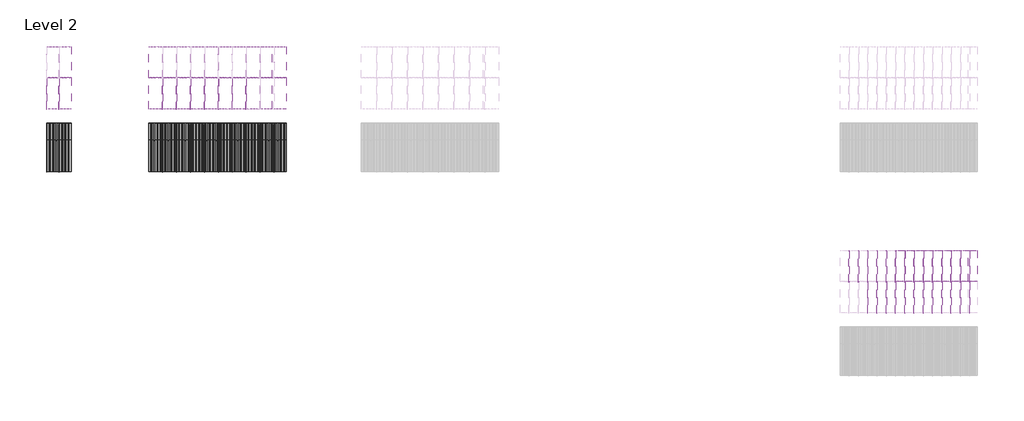
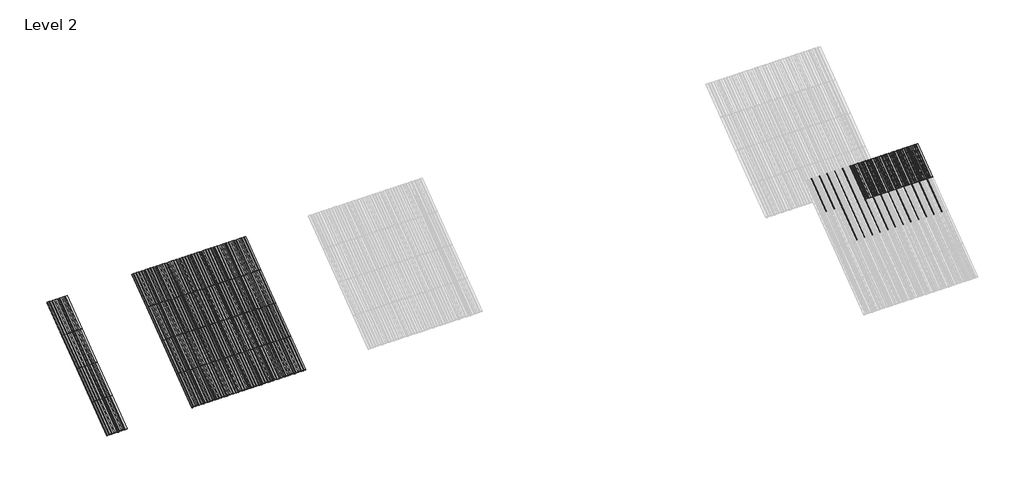
# One storey, part 12 of 177: 57 members, 57 plates.
"""IFC4 building model written with IfcOpenShell, lengths in millimetres."""

import ifcopenshell
import ifcopenshell.guid

model = None  # the IFC model being written
_history = None  # IfcOwnerHistory: only IFC2X3 demands one
_inside = {}  # id of a spatial element -> (the spatial element, [elements in it])
_under = {}  # id of a project, library or spatial element -> (it, [spatial elements below it])
_declared = {}  # id of a project -> (the project, [libraries it declares])
_typed = {}  # id of a type object -> (the type object, [elements of that type])
_made_of = {}  # id of a material, layer set ... -> (it, [elements and type objects made of it])


def new_model(schema):
    """Start an empty IFC model of exactly this schema.

    Asked for "IFC4X3", IfcOpenShell would pick the latest addendum, in which some entities
    have other attributes; the version numbers below select the first issue.
    IFC2X3 requires an IfcOwnerHistory on every rooted entity: one is made here for all.
    """
    global model, _history
    if schema == "IFC4X3":
        model = ifcopenshell.file(schema_version=(4, 3, 0, 0))
    else:
        model = ifcopenshell.file(schema=schema)
    _inside.clear()
    _under.clear()
    _declared.clear()
    _typed.clear()
    _made_of.clear()
    _history = None
    if model.schema == "IFC2X3":
        org = make("IfcOrganization", Name="unknown")
        user = make(
            "IfcPersonAndOrganization",
            ThePerson=make("IfcPerson", FamilyName="unknown"),
            TheOrganization=org,
        )
        app = make(
            "IfcApplication",
            ApplicationDeveloper=org,
            Version="unknown",
            ApplicationFullName="unknown",
            ApplicationIdentifier="unknown",
        )
        _history = make(
            "IfcOwnerHistory",
            OwningUser=user,
            OwningApplication=app,
            ChangeAction="ADDED",
            CreationDate=0,
        )
    return model


def make(cls, **values):
    """One entity of the class cls with the attributes given. An attribute that is None is left unset."""
    return model.create_entity(
        cls, **{name: value for name, value in values.items() if value is not None}
    )


def rooted(cls, **values):
    """An entity with a GlobalId (a new one), such as an element, a storey or a relation."""
    return make(cls, GlobalId=ifcopenshell.guid.new(), OwnerHistory=_history, **values)


def si_unit(unit_type, name, prefix=None):
    """IfcSIUnit, for example si_unit("LENGTHUNIT", "METRE", prefix="MILLI")."""
    return make("IfcSIUnit", UnitType=unit_type, Prefix=prefix, Name=name)


def assignment(units):
    """IfcUnitAssignment: the units of a project."""
    return None if units is None else make("IfcUnitAssignment", Units=units)


def point(xyz):
    """IfcCartesianPoint."""
    return None if xyz is None else make("IfcCartesianPoint", Coordinates=xyz)


def direction(xyz):
    """IfcDirection."""
    return None if xyz is None else make("IfcDirection", DirectionRatios=xyz)


def frame(location, z_axis=None, x_axis=None):
    """IfcAxis2Placement3D, a coordinate frame: its origin and axes. An axis left out is left unset."""
    return make(
        "IfcAxis2Placement3D",
        Location=point(location),
        Axis=direction(z_axis),
        RefDirection=direction(x_axis),
    )


def frame_2d(location, x_axis=None):
    """IfcAxis2Placement2D, a coordinate frame in the plane: its origin and x axis."""
    return make(
        "IfcAxis2Placement2D", Location=point(location), RefDirection=direction(x_axis)
    )


def origin():
    """The frame at (0, 0, 0) with its axes left unset."""
    return frame((0.0, 0.0, 0.0))


def origin_with_axes():
    """The frame at (0, 0, 0) with the z axis (0, 0, 1) and the x axis (1, 0, 0) written out."""
    return frame((0.0, 0.0, 0.0), z_axis=(0.0, 0.0, 1.0), x_axis=(1.0, 0.0, 0.0))


def place(relative_to, where):
    """IfcLocalPlacement: puts the frame where relative to a parent placement (None: the world)."""
    return make(
        "IfcLocalPlacement", PlacementRelTo=relative_to, RelativePlacement=where
    )


def context(
    kind, dimensions, precision=None, world=None, true_north=None, identifier=None
):
    """IfcGeometricRepresentationContext, for example the 3D "Model" context."""
    return make(
        "IfcGeometricRepresentationContext",
        ContextIdentifier=identifier,
        ContextType=kind,
        CoordinateSpaceDimension=dimensions,
        Precision=precision,
        WorldCoordinateSystem=world,
        TrueNorth=true_north,
    )


def project(units=None, contexts=None):
    """IfcProject with its units and contexts."""
    return rooted(
        "IfcProject",
        Name="project",
        RepresentationContexts=contexts,
        UnitsInContext=assignment(units),
    )


def spatial(cls, under=None, at=None, **own):
    """A site, building, storey or space (cls), placed at a placement, below another one or the project."""
    s = rooted(cls, ObjectPlacement=at, **own)
    if under is not None:
        _under.setdefault(under.id(), (under, []))[1].append(s)
    return s


def polyline(points):
    """IfcPolyline through the points."""
    return make("IfcPolyline", Points=[point(p) for p in points])


def circle_curve(where, radius):
    """IfcCircle in the frame where."""
    return make("IfcCircle", Position=where, Radius=radius)


def trimmed(basis, trim1, trim2, sense, master):
    """IfcTrimmedCurve: the piece of a basis curve between two trims."""
    return make(
        "IfcTrimmedCurve",
        BasisCurve=basis,
        Trim1=trim1,
        Trim2=trim2,
        SenseAgreement=sense,
        MasterRepresentation=master,
    )


def segment(curve, same_sense, transition):
    """IfcCompositeCurveSegment."""
    return make(
        "IfcCompositeCurveSegment",
        Transition=transition,
        SameSense=same_sense,
        ParentCurve=curve,
    )


def composite_curve(segments, self_intersect=None):
    """IfcCompositeCurve: segments joined end to end."""
    return make("IfcCompositeCurve", Segments=segments, SelfIntersect=self_intersect)


def outline(outer, holes=None, kind="AREA"):
    """IfcArbitraryClosedProfileDef: a profile drawn as a closed curve; with holes, ...WithVoids."""
    if holes is None:
        return make("IfcArbitraryClosedProfileDef", ProfileType=kind, OuterCurve=outer)
    return make(
        "IfcArbitraryProfileDefWithVoids",
        ProfileType=kind,
        OuterCurve=outer,
        InnerCurves=holes,
    )


def extrude(swept, where, along, depth):
    """IfcExtrudedAreaSolid: the profile swept, set in the frame where, extruded along a direction by depth."""
    return make(
        "IfcExtrudedAreaSolid",
        SweptArea=swept,
        Position=where,
        ExtrudedDirection=direction(along),
        Depth=depth,
    )


def shape(context_of_items, identifier, shape_type, items):
    """IfcShapeRepresentation: the items that make up one representation, for example the "Body"."""
    return make(
        "IfcShapeRepresentation",
        ContextOfItems=context_of_items,
        RepresentationIdentifier=identifier,
        RepresentationType=shape_type,
        Items=items,
    )


def source(mapping_origin, context_of_items, identifier, shape_type, items):
    """IfcRepresentationMap: a shape defined once, which mapped items show again and again."""
    return make(
        "IfcRepresentationMap",
        MappingOrigin=mapping_origin,
        MappedRepresentation=shape(context_of_items, identifier, shape_type, items),
    )


def transform(
    local_origin,
    x_axis=None,
    y_axis=None,
    z_axis=None,
    scale=None,
    scale2=None,
    scale3=None,
    uniform=True,
):
    """IfcCartesianTransformationOperator3D, or its non-uniform kind. x_axis, y_axis, z_axis: its Axis1, 2, 3."""
    if uniform:
        return make(
            "IfcCartesianTransformationOperator3D",
            Axis1=direction(x_axis),
            Axis2=direction(y_axis),
            LocalOrigin=point(local_origin),
            Scale=scale,
            Axis3=direction(z_axis),
        )
    return make(
        "IfcCartesianTransformationOperator3DnonUniform",
        Axis1=direction(x_axis),
        Axis2=direction(y_axis),
        LocalOrigin=point(local_origin),
        Scale=scale,
        Axis3=direction(z_axis),
        Scale2=scale2,
        Scale3=scale3,
    )


def mapped(mapping_source, mapping_target):
    """IfcMappedItem: shows the shape of a source again, moved by a transform."""
    return make(
        "IfcMappedItem", MappingSource=mapping_source, MappingTarget=mapping_target
    )


def made_of(thing, what):
    """Note that an element or type object is made of a material, layer set ...; save() writes the relation."""
    if what is not None:
        _made_of.setdefault(what.id(), (what, []))[1].append(thing)
    return thing


def element(
    cls,
    number,
    at=None,
    inside=None,
    cuts=None,
    type_object=None,
    material=None,
    context=None,
    identifier="Body",
    shape_type=None,
    held_by="IfcProductDefinitionShape",
    body=None,
    shapes=None,
    **own,
):
    """One element of the class cls, such as IfcWall. Its Tag is "e" and its number.

    at: its placement. inside: the storey or other place that contains it. cuts: it is an
    opening in that element (IfcRelVoidsElement). A single representation is given by context,
    identifier, shape_type and body (its items); several are given by shapes. held_by: the class
    of the entity that holds the representations. save() writes the other relations.
    """
    e = rooted(cls, Tag="e%d" % number, ObjectPlacement=at, **own)
    if body is not None:
        shapes = [shape(context, identifier, shape_type, body)]
    if shapes is not None:
        e.Representation = make(held_by, Representations=shapes)
    if inside is not None:
        _inside.setdefault(inside.id(), (inside, []))[1].append(e)
    if cuts is not None:
        rooted(
            "IfcRelVoidsElement", RelatingBuildingElement=cuts, RelatedOpeningElement=e
        )
    if type_object is not None:
        _typed.setdefault(type_object.id(), (type_object, []))[1].append(e)
    return made_of(e, material)


def aggregate(whole, parts):
    """IfcRelAggregates: a whole, such as a stair, and the parts it consists of."""
    return rooted("IfcRelAggregates", RelatingObject=whole, RelatedObjects=parts)


def save(model, path):
    """Write the relations noted so far, then the file.

    IfcRelAggregates (storeys below a building ...), IfcRelContainedInSpatialStructure (elements
    in a storey), IfcRelDefinesByType, IfcRelAssociatesMaterial and IfcRelDeclares: one each for
    every whole, place, type object, material and project.
    """
    for whole, parts in _under.values():
        aggregate(whole, parts)
    for where, things in _inside.values():
        rooted(
            "IfcRelContainedInSpatialStructure",
            RelatedElements=things,
            RelatingStructure=where,
        )
    for kind, things in _typed.values():
        rooted("IfcRelDefinesByType", RelatedObjects=things, RelatingType=kind)
    for what, things in _made_of.values():
        rooted("IfcRelAssociatesMaterial", RelatedObjects=things, RelatingMaterial=what)
    for by, libraries in _declared.values():
        rooted("IfcRelDeclares", RelatingContext=by, RelatedDefinitions=libraries)
    model.write(path)


def rectangular_mullion_59d29c64(model_context):
    return source(origin(), model_context, "Body", "SweptSolid", [
        extrude(outline(composite_curve([segment(polyline([(-1.651, -33.918525), (-1.651, 0.396875), (1.778, 0.396875), (1.778, -36.458525)]), True, "CONTINUOUS"), segment(trimmed(circle_curve(frame_2d((-0.762, -36.458525)), 2.54), [point((1.778, -36.458525))], [point((-0.762, -38.998525))], False, "CARTESIAN"), True, "CONTINUOUS"), segment(polyline([(-0.762, -38.998525), (-10.16, -38.998525)]), True, "CONTINUOUS"), segment(trimmed(circle_curve(frame_2d((-10.16, -36.458525)), 2.54), [point((-10.16, -38.998525))], [point((-10.16, -33.918525))], False, "CARTESIAN"), True, "CONTINUOUS"), segment(polyline([(-10.16, -33.918525), (-1.651, -33.918525)]), True, "CONTINUOUS")], self_intersect=False)), frame((0.0, 0.0, -1285.875), z_axis=(0.0, 0.0, 1.0), x_axis=(1.0, 0.0, 0.0)), (0.0, 0.0, 1.0), 1285.875),
    ])


def rectangular_mullion_1bcf8777(model_context):
    return source(origin(), model_context, "Body", "SweptSolid", [
        extrude(outline(composite_curve([segment(polyline([(-1.651, -33.7200875), (-1.651, 0.5953125), (1.778, 0.5953125), (1.778, -36.2600875)]), True, "CONTINUOUS"), segment(trimmed(circle_curve(frame_2d((-0.762, -36.2600875)), 2.54), [point((1.778, -36.2600875))], [point((-0.762, -38.8000875))], False, "CARTESIAN"), True, "CONTINUOUS"), segment(polyline([(-0.762, -38.8000875), (-10.16, -38.8000875)]), True, "CONTINUOUS"), segment(trimmed(circle_curve(frame_2d((-10.16, -36.2600875)), 2.54), [point((-10.16, -38.8000875))], [point((-10.16, -33.7200875))], False, "CARTESIAN"), True, "CONTINUOUS"), segment(polyline([(-10.16, -33.7200875), (-1.651, -33.7200875)]), True, "CONTINUOUS")], self_intersect=False)), frame((0.0, 0.0, -1285.875), z_axis=(0.0, 0.0, 1.0), x_axis=(1.0, 0.0, 0.0)), (0.0, 0.0, 1.0), 1285.875),
    ])


def plate_0_032_aluminium_91d3225e(model_context):
    return source(origin(), model_context, "Body", "SweptSolid", [
        extrude(outline(polyline([(-123.9800294, 0.8128), (-120.4316494, -2.73558), (-90.8914494, -2.73558), (-87.3430694, 0.8128), (-18.31848, 0.8128), (-14.7701, -2.73558), (14.7701, -2.73558), (18.31848, 0.8128), (85.75548, 0.8128), (89.30386, -2.73558), (118.84406, -2.73558), (122.39244, 0.8128), (203.2, 0.8128), (203.2, 0.0), (122.456147, 0.0), (118.907767, -3.54838), (89.240153, -3.54838), (85.691773, 0.0), (18.382187, 0.0), (14.833807, -3.54838), (-14.833807, -3.54838), (-18.382187, 0.0), (-87.2793624, 0.0), (-90.8277424, -3.54838), (-120.4953564, -3.54838), (-124.0437364, 0.0), (-203.2, 0.0), (-203.2, 0.8128), (-123.9800294, 0.8128)])), origin_with_axes(), (0.0, 0.0, 1.0), 1285.875),
    ])


def plate_0_032_aluminium_9b7b38d6(model_context):
    return source(origin(), model_context, "Body", "SweptSolid", [
        extrude(outline(polyline([(33.654793, 0.0), (-33.654793, 0.0), (-37.203173, -3.54838), (-66.870787, -3.54838), (-70.419167, 0.0), (-137.728753, 0.0), (-141.277133, -3.54838), (-170.944747, -3.54838), (-174.493127, 0.0), (-228.6, 0.0), (-228.6, 0.8128), (-174.42942, 0.8128), (-170.88104, -2.73558), (-141.34084, -2.73558), (-137.79246, 0.8128), (-70.35546, 0.8128), (-66.80708, -2.73558), (-37.26688, -2.73558), (-33.7185, 0.8128), (33.7185, 0.8128), (37.26688, -2.73558), (66.80708, -2.73558), (70.35546, 0.8128), (137.79246, 0.8128), (141.34084, -2.73558), (170.88104, -2.73558), (174.42942, 0.8128), (228.6, 0.8128), (228.6, 0.0), (174.493127, 0.0), (170.944747, -3.54838), (141.277133, -3.54838), (137.728753, 0.0), (70.419167, 0.0), (66.870787, -3.54838), (37.203173, -3.54838), (33.654793, 0.0)])), origin_with_axes(), (0.0, 0.0, 1.0), 1285.875),
    ])


def plate_0_04_aluminium_bb3a9a47(model_context):
    return source(origin(), model_context, "Body", "SweptSolid", [
        extrude(outline(polyline([(-89.30386, 1.016), (-66.80708, -2.53238), (-37.26688, -2.53238), (-14.7701, 0.8128), (14.7701, 0.8128), (37.26688, -2.73558), (66.80708, -2.73558), (89.30386, 0.8128), (152.4, 0.8128), (152.4, 0.0), (89.367567, 0.0), (66.870787, -3.54838), (37.203173, -3.54838), (14.706393, 0.0), (-14.706393, 0.0), (-37.203173, -3.54838), (-66.870787, -3.54838), (-89.367567, 0.0), (-152.4, 0.0), (-152.4, 1.016), (-89.30386, 1.016)])), origin_with_axes(), (0.0, 0.0, 1.0), 1285.875),
    ])


model = new_model("IFC4")

# Units and contexts
model_context = context("Model", 3, world=origin())
ifc_project = project(units=[si_unit("LENGTHUNIT", "METRE", prefix="MILLI")], contexts=[model_context])

# Site, building, storey
site = spatial("IfcSite", under=ifc_project)
building = spatial("IfcBuilding", under=site)
storey = spatial("IfcBuildingStorey", under=building, Name="Level 2", Elevation=3048.0)

# Members
placement = place(None, origin())
rectangular_mullion_shape = rectangular_mullion_59d29c64(model_context)
element("IfcMember", 1, ObjectType="Rectangular Mullion", at=placement, inside=storey, context=model_context, shape_type="MappedRepresentation", body=[
    mapped(rectangular_mullion_shape, transform((32099.5938416, 49285.1318114, 3819.525), x_axis=(1.0, 0.0, 0.0), y_axis=(0.0, 0.5999999999999939, -0.8000000000000047), z_axis=(0.0, 0.8000000000000047, 0.5999999999999939))),
])
element("IfcMember", 2, ObjectType="Rectangular Mullion", at=placement, inside=storey, context=model_context, shape_type="MappedRepresentation", body=[
    mapped(rectangular_mullion_shape, transform((35909.5938416, 49285.1318114, 3819.525), x_axis=(1.0, 0.0, 0.0), y_axis=(0.0, 0.5999999999999939, -0.8000000000000047), z_axis=(0.0, 0.8000000000000047, 0.5999999999999939))),
])
element("IfcMember", 3, ObjectType="Rectangular Mullion", at=placement, inside=storey, context=model_context, shape_type="MappedRepresentation", body=[
    mapped(rectangular_mullion_shape, transform((36366.7938416, 49285.1318114, 3819.525), x_axis=(1.0, 0.0, 0.0), y_axis=(0.0, 0.5999999999999939, -0.8000000000000047), z_axis=(0.0, 0.8000000000000047, 0.5999999999999939))),
])
element("IfcMember", 4, ObjectType="Rectangular Mullion", at=placement, inside=storey, context=model_context, shape_type="MappedRepresentation", body=[
    mapped(rectangular_mullion_shape, transform((36823.9938416, 49285.1318114, 3819.525), x_axis=(1.0, 0.0, 0.0), y_axis=(0.0, 0.5999999999999939, -0.8000000000000047), z_axis=(0.0, 0.8000000000000047, 0.5999999999999939))),
])
element("IfcMember", 5, ObjectType="Rectangular Mullion", at=placement, inside=storey, context=model_context, shape_type="MappedRepresentation", body=[
    mapped(rectangular_mullion_shape, transform((37281.1938416, 49285.1318114, 3819.525), x_axis=(1.0, 0.0, 0.0), y_axis=(0.0, 0.5999999999999939, -0.8000000000000047), z_axis=(0.0, 0.8000000000000047, 0.5999999999999939))),
])
element("IfcMember", 6, ObjectType="Rectangular Mullion", at=placement, inside=storey, context=model_context, shape_type="MappedRepresentation", body=[
    mapped(rectangular_mullion_shape, transform((37738.3938416, 49285.1318114, 3819.525), x_axis=(1.0, 0.0, 0.0), y_axis=(0.0, 0.5999999999999939, -0.8000000000000047), z_axis=(0.0, 0.8000000000000047, 0.5999999999999939))),
])
element("IfcMember", 7, ObjectType="Rectangular Mullion", at=placement, inside=storey, context=model_context, shape_type="MappedRepresentation", body=[
    mapped(rectangular_mullion_shape, transform((38195.5938416, 49285.1318114, 3819.525), x_axis=(1.0, 0.0, 0.0), y_axis=(0.0, 0.5999999999999939, -0.8000000000000047), z_axis=(0.0, 0.8000000000000047, 0.5999999999999939))),
])
element("IfcMember", 8, ObjectType="Rectangular Mullion", at=placement, inside=storey, context=model_context, shape_type="MappedRepresentation", body=[
    mapped(rectangular_mullion_shape, transform((38652.7938416, 49285.1318114, 3819.525), x_axis=(1.0, 0.0, 0.0), y_axis=(0.0, 0.5999999999999939, -0.8000000000000047), z_axis=(0.0, 0.8000000000000047, 0.5999999999999939))),
])
element("IfcMember", 9, ObjectType="Rectangular Mullion", at=placement, inside=storey, context=model_context, shape_type="MappedRepresentation", body=[
    mapped(rectangular_mullion_shape, transform((39109.9938416, 49285.1318114, 3819.525), x_axis=(1.0, 0.0, 0.0), y_axis=(0.0, 0.5999999999999939, -0.8000000000000047), z_axis=(0.0, 0.8000000000000047, 0.5999999999999939))),
])
element("IfcMember", 10, ObjectType="Rectangular Mullion", at=placement, inside=storey, context=model_context, shape_type="MappedRepresentation", body=[
    mapped(rectangular_mullion_shape, transform((39567.1938416, 49285.1318114, 3819.525), x_axis=(1.0, 0.0, 0.0), y_axis=(0.0, 0.5999999999999939, -0.8000000000000047), z_axis=(0.0, 0.8000000000000047, 0.5999999999999939))),
])
element("IfcMember", 11, ObjectType="Rectangular Mullion", at=placement, inside=storey, context=model_context, shape_type="MappedRepresentation", body=[
    mapped(rectangular_mullion_shape, transform((32505.9938416, 49285.1318114, 3819.525), x_axis=(1.0, 0.0, 0.0), y_axis=(0.0, 0.5999999999999939, -0.8000000000000047), z_axis=(0.0, 0.8000000000000047, 0.5999999999999939))),
])
element("IfcMember", 12, ObjectType="Rectangular Mullion", at=placement, inside=storey, context=model_context, shape_type="MappedRepresentation", body=[
    mapped(rectangular_mullion_shape, transform((32099.5938416, 50313.8318114, 4591.05), x_axis=(1.0, 0.0, 0.0), y_axis=(0.0, 0.5999999999999952, -0.8000000000000037), z_axis=(0.0, 0.8000000000000037, 0.5999999999999952))),
])
element("IfcMember", 13, ObjectType="Rectangular Mullion", at=placement, inside=storey, context=model_context, shape_type="MappedRepresentation", body=[
    mapped(rectangular_mullion_shape, transform((32099.5938416, 51342.5318114, 5362.575), x_axis=(1.0, 0.0, 0.0), y_axis=(0.0, 0.5999999999999941, -0.8000000000000045), z_axis=(0.0, 0.8000000000000044, 0.599999999999994))),
])
element("IfcMember", 14, ObjectType="Rectangular Mullion", at=placement, inside=storey, context=model_context, shape_type="MappedRepresentation", body=[
    mapped(rectangular_mullion_shape, transform((35909.5938416, 50313.8318114, 4591.05), x_axis=(1.0, 0.0, 0.0), y_axis=(0.0, 0.5999999999999952, -0.8000000000000037), z_axis=(0.0, 0.8000000000000037, 0.5999999999999952))),
])
element("IfcMember", 15, ObjectType="Rectangular Mullion", at=placement, inside=storey, context=model_context, shape_type="MappedRepresentation", body=[
    mapped(rectangular_mullion_shape, transform((36366.7938416, 50313.8318114, 4591.05), x_axis=(1.0, 0.0, 0.0), y_axis=(0.0, 0.5999999999999952, -0.8000000000000037), z_axis=(0.0, 0.8000000000000037, 0.5999999999999952))),
])
element("IfcMember", 16, ObjectType="Rectangular Mullion", at=placement, inside=storey, context=model_context, shape_type="MappedRepresentation", body=[
    mapped(rectangular_mullion_shape, transform((35909.5938416, 51342.5318114, 5362.575), x_axis=(1.0, 0.0, 0.0), y_axis=(0.0, 0.5999999999999941, -0.8000000000000045), z_axis=(0.0, 0.8000000000000044, 0.599999999999994))),
])
element("IfcMember", 17, ObjectType="Rectangular Mullion", at=placement, inside=storey, context=model_context, shape_type="MappedRepresentation", body=[
    mapped(rectangular_mullion_shape, transform((36366.7938416, 51342.5318114, 5362.575), x_axis=(1.0, 0.0, 0.0), y_axis=(0.0, 0.5999999999999941, -0.8000000000000045), z_axis=(0.0, 0.8000000000000044, 0.599999999999994))),
])
element("IfcMember", 18, ObjectType="Rectangular Mullion", at=placement, inside=storey, context=model_context, shape_type="MappedRepresentation", body=[
    mapped(rectangular_mullion_shape, transform((36823.9938416, 50313.8318114, 4591.05), x_axis=(1.0, 0.0, 0.0), y_axis=(0.0, 0.5999999999999952, -0.8000000000000037), z_axis=(0.0, 0.8000000000000037, 0.5999999999999952))),
])
element("IfcMember", 19, ObjectType="Rectangular Mullion", at=placement, inside=storey, context=model_context, shape_type="MappedRepresentation", body=[
    mapped(rectangular_mullion_shape, transform((37281.1938416, 50313.8318114, 4591.05), x_axis=(1.0, 0.0, 0.0), y_axis=(0.0, 0.5999999999999952, -0.8000000000000037), z_axis=(0.0, 0.8000000000000037, 0.5999999999999952))),
])
element("IfcMember", 20, ObjectType="Rectangular Mullion", at=placement, inside=storey, context=model_context, shape_type="MappedRepresentation", body=[
    mapped(rectangular_mullion_shape, transform((37738.3938416, 50313.8318114, 4591.05), x_axis=(1.0, 0.0, 0.0), y_axis=(0.0, 0.5999999999999952, -0.8000000000000037), z_axis=(0.0, 0.8000000000000037, 0.5999999999999952))),
])
element("IfcMember", 21, ObjectType="Rectangular Mullion", at=placement, inside=storey, context=model_context, shape_type="MappedRepresentation", body=[
    mapped(rectangular_mullion_shape, transform((38195.5938416, 50313.8318114, 4591.05), x_axis=(1.0, 0.0, 0.0), y_axis=(0.0, 0.5999999999999952, -0.8000000000000037), z_axis=(0.0, 0.8000000000000037, 0.5999999999999952))),
])
element("IfcMember", 22, ObjectType="Rectangular Mullion", at=placement, inside=storey, context=model_context, shape_type="MappedRepresentation", body=[
    mapped(rectangular_mullion_shape, transform((38652.7938416, 50313.8318114, 4591.05), x_axis=(1.0, 0.0, 0.0), y_axis=(0.0, 0.5999999999999952, -0.8000000000000037), z_axis=(0.0, 0.8000000000000037, 0.5999999999999952))),
])
element("IfcMember", 23, ObjectType="Rectangular Mullion", at=placement, inside=storey, context=model_context, shape_type="MappedRepresentation", body=[
    mapped(rectangular_mullion_shape, transform((39109.9938416, 50313.8318114, 4591.05), x_axis=(1.0, 0.0, 0.0), y_axis=(0.0, 0.5999999999999949, -0.8000000000000038), z_axis=(0.0, 0.8000000000000038, 0.5999999999999949))),
])
element("IfcMember", 24, ObjectType="Rectangular Mullion", at=placement, inside=storey, context=model_context, shape_type="MappedRepresentation", body=[
    mapped(rectangular_mullion_shape, transform((39567.1938416, 50313.8318114, 4591.05), x_axis=(1.0, 0.0, 0.0), y_axis=(0.0, 0.5999999999999952, -0.8000000000000037), z_axis=(0.0, 0.8000000000000037, 0.5999999999999952))),
])
element("IfcMember", 25, ObjectType="Rectangular Mullion", at=placement, inside=storey, context=model_context, shape_type="MappedRepresentation", body=[
    mapped(rectangular_mullion_shape, transform((36823.9938416, 51342.5318114, 5362.575), x_axis=(1.0, 0.0, 0.0), y_axis=(0.0, 0.5999999999999941, -0.8000000000000045), z_axis=(0.0, 0.8000000000000044, 0.599999999999994))),
])
element("IfcMember", 26, ObjectType="Rectangular Mullion", at=placement, inside=storey, context=model_context, shape_type="MappedRepresentation", body=[
    mapped(rectangular_mullion_shape, transform((37281.1938416, 51342.5318114, 5362.575), x_axis=(1.0, 0.0, 0.0), y_axis=(0.0, 0.5999999999999941, -0.8000000000000045), z_axis=(0.0, 0.8000000000000044, 0.599999999999994))),
])
element("IfcMember", 27, ObjectType="Rectangular Mullion", at=placement, inside=storey, context=model_context, shape_type="MappedRepresentation", body=[
    mapped(rectangular_mullion_shape, transform((37738.3938416, 51342.5318114, 5362.575), x_axis=(1.0, 0.0, 0.0), y_axis=(0.0, 0.5999999999999941, -0.8000000000000045), z_axis=(0.0, 0.8000000000000044, 0.599999999999994))),
])
element("IfcMember", 28, ObjectType="Rectangular Mullion", at=placement, inside=storey, context=model_context, shape_type="MappedRepresentation", body=[
    mapped(rectangular_mullion_shape, transform((38195.5938416, 51342.5318114, 5362.575), x_axis=(1.0, 0.0, 0.0), y_axis=(0.0, 0.5999999999999941, -0.8000000000000045), z_axis=(0.0, 0.8000000000000044, 0.599999999999994))),
])
element("IfcMember", 29, ObjectType="Rectangular Mullion", at=placement, inside=storey, context=model_context, shape_type="MappedRepresentation", body=[
    mapped(rectangular_mullion_shape, transform((38652.7938416, 51342.5318114, 5362.575), x_axis=(1.0, 0.0, 0.0), y_axis=(0.0, 0.5999999999999941, -0.8000000000000045), z_axis=(0.0, 0.8000000000000044, 0.599999999999994))),
])
element("IfcMember", 30, ObjectType="Rectangular Mullion", at=placement, inside=storey, context=model_context, shape_type="MappedRepresentation", body=[
    mapped(rectangular_mullion_shape, transform((32505.9938416, 50313.8318114, 4591.05), x_axis=(1.0, 0.0, 0.0), y_axis=(0.0, 0.5999999999999952, -0.8000000000000037), z_axis=(0.0, 0.8000000000000037, 0.5999999999999952))),
])
element("IfcMember", 31, ObjectType="Rectangular Mullion", at=placement, inside=storey, context=model_context, shape_type="MappedRepresentation", body=[
    mapped(rectangular_mullion_shape, transform((32505.9938416, 51342.5318114, 5362.575), x_axis=(1.0, 0.0, 0.0), y_axis=(0.0, 0.5999999999999941, -0.8000000000000045), z_axis=(0.0, 0.8000000000000044, 0.599999999999994))),
])
rectangular_mullion_2_shape = rectangular_mullion_1bcf8777(model_context)
element("IfcMember", 32, ObjectType="Rectangular Mullion", at=placement, inside=storey, context=model_context, shape_type="MappedRepresentation", body=[
    mapped(rectangular_mullion_2_shape, transform((58474.9538419, 45665.8699364, 6134.1), x_axis=(1.0, 0.0, 0.0), y_axis=(0.0, 0.5999999999999946, -0.800000000000004), z_axis=(0.0, 0.800000000000004, 0.5999999999999946))),
])
element("IfcMember", 33, ObjectType="Rectangular Mullion", at=placement, inside=storey, context=model_context, shape_type="MappedRepresentation", body=[
    mapped(rectangular_mullion_2_shape, transform((58779.7538419, 45665.8699364, 6134.1), x_axis=(1.0, 0.0, 0.0), y_axis=(0.0, 0.5999999999999946, -0.800000000000004), z_axis=(0.0, 0.800000000000004, 0.5999999999999946))),
])
element("IfcMember", 34, ObjectType="Rectangular Mullion", at=placement, inside=storey, context=model_context, shape_type="MappedRepresentation", body=[
    mapped(rectangular_mullion_2_shape, transform((59084.5538419, 45665.8699364, 6134.1), x_axis=(1.0, 0.0, 0.0), y_axis=(0.0, 0.5999999999999946, -0.800000000000004), z_axis=(0.0, 0.800000000000004, 0.5999999999999946))),
])
element("IfcMember", 35, ObjectType="Rectangular Mullion", at=placement, inside=storey, context=model_context, shape_type="MappedRepresentation", body=[
    mapped(rectangular_mullion_2_shape, transform((59389.3538419, 45665.8699364, 6134.1), x_axis=(1.0, 0.0, 0.0), y_axis=(0.0, 0.5999999999999946, -0.800000000000004), z_axis=(0.0, 0.800000000000004, 0.5999999999999946))),
])
element("IfcMember", 36, ObjectType="Rectangular Mullion", at=placement, inside=storey, context=model_context, shape_type="MappedRepresentation", body=[
    mapped(rectangular_mullion_2_shape, transform((59694.1538419, 45665.8699364, 6134.1), x_axis=(1.0, 0.0, 0.0), y_axis=(0.0, 0.5999999999999946, -0.800000000000004), z_axis=(0.0, 0.800000000000004, 0.5999999999999946))),
])
element("IfcMember", 37, ObjectType="Rectangular Mullion", at=placement, inside=storey, context=model_context, shape_type="MappedRepresentation", body=[
    mapped(rectangular_mullion_2_shape, transform((59998.9538419, 45665.8699364, 6134.1), x_axis=(1.0, 0.0, 0.0), y_axis=(0.0, 0.5999999999999946, -0.800000000000004), z_axis=(0.0, 0.800000000000004, 0.5999999999999946))),
])
element("IfcMember", 38, ObjectType="Rectangular Mullion", at=placement, inside=storey, context=model_context, shape_type="MappedRepresentation", body=[
    mapped(rectangular_mullion_2_shape, transform((60303.7538419, 45665.8699364, 6134.1), x_axis=(1.0, 0.0, 0.0), y_axis=(0.0, 0.5999999999999946, -0.800000000000004), z_axis=(0.0, 0.800000000000004, 0.5999999999999946))),
])
element("IfcMember", 39, ObjectType="Rectangular Mullion", at=placement, inside=storey, context=model_context, shape_type="MappedRepresentation", body=[
    mapped(rectangular_mullion_2_shape, transform((60608.5538419, 45665.8699364, 6134.1), x_axis=(1.0, 0.0, 0.0), y_axis=(0.0, 0.5999999999999946, -0.800000000000004), z_axis=(0.0, 0.800000000000004, 0.5999999999999946))),
])
element("IfcMember", 40, ObjectType="Rectangular Mullion", at=placement, inside=storey, context=model_context, shape_type="MappedRepresentation", body=[
    mapped(rectangular_mullion_2_shape, transform((60913.3538419, 45665.8699364, 6134.1), x_axis=(1.0, 0.0, 0.0), y_axis=(0.0, 0.5999999999999946, -0.800000000000004), z_axis=(0.0, 0.800000000000004, 0.5999999999999946))),
])
element("IfcMember", 41, ObjectType="Rectangular Mullion", at=placement, inside=storey, context=model_context, shape_type="MappedRepresentation", body=[
    mapped(rectangular_mullion_2_shape, transform((61218.1538419, 45665.8699364, 6134.1), x_axis=(1.0, 0.0, 0.0), y_axis=(0.0, 0.5999999999999946, -0.800000000000004), z_axis=(0.0, 0.800000000000004, 0.5999999999999946))),
])
element("IfcMember", 42, ObjectType="Rectangular Mullion", at=placement, inside=storey, context=model_context, shape_type="MappedRepresentation", body=[
    mapped(rectangular_mullion_2_shape, transform((61522.9538419, 45665.8699364, 6134.1), x_axis=(1.0, 0.0, 0.0), y_axis=(0.0, 0.5999999999999946, -0.800000000000004), z_axis=(0.0, 0.800000000000004, 0.5999999999999946))),
])
element("IfcMember", 43, ObjectType="Rectangular Mullion", at=placement, inside=storey, context=model_context, shape_type="MappedRepresentation", body=[
    mapped(rectangular_mullion_2_shape, transform((61827.7538419, 45665.8699364, 6134.1), x_axis=(1.0, 0.0, 0.0), y_axis=(0.0, 0.5999999999999946, -0.800000000000004), z_axis=(0.0, 0.800000000000004, 0.5999999999999946))),
])
element("IfcMember", 44, ObjectType="Rectangular Mullion", at=placement, inside=storey, context=model_context, shape_type="MappedRepresentation", body=[
    mapped(rectangular_mullion_2_shape, transform((62132.5538419, 45665.8699364, 6134.1), x_axis=(1.0, 0.0, 0.0), y_axis=(0.0, 0.5999999999999946, -0.800000000000004), z_axis=(0.0, 0.800000000000004, 0.5999999999999946))),
])
element("IfcMember", 45, ObjectType="Rectangular Mullion", at=placement, inside=storey, context=model_context, shape_type="MappedRepresentation", body=[
    mapped(rectangular_mullion_2_shape, transform((62437.3538419, 45665.8699364, 6134.1), x_axis=(1.0, 0.0, 0.0), y_axis=(0.0, 0.5999999999999946, -0.800000000000004), z_axis=(0.0, 0.800000000000004, 0.5999999999999946))),
])
element("IfcMember", 46, ObjectType="Rectangular Mullion", at=placement, inside=storey, context=model_context, shape_type="MappedRepresentation", body=[
    mapped(rectangular_mullion_2_shape, transform((59084.5538419, 44637.1699364, 5362.575), x_axis=(1.0, 0.0, 0.0), y_axis=(0.0, 0.5999999999999941, -0.8000000000000045), z_axis=(0.0, 0.8000000000000044, 0.599999999999994))),
])
element("IfcMember", 47, ObjectType="Rectangular Mullion", at=placement, inside=storey, context=model_context, shape_type="MappedRepresentation", body=[
    mapped(rectangular_mullion_2_shape, transform((59389.3538419, 44637.1699364, 5362.575), x_axis=(1.0, 0.0, 0.0), y_axis=(0.0, 0.5999999999999941, -0.8000000000000045), z_axis=(0.0, 0.8000000000000044, 0.599999999999994))),
])
element("IfcMember", 48, ObjectType="Rectangular Mullion", at=placement, inside=storey, context=model_context, shape_type="MappedRepresentation", body=[
    mapped(rectangular_mullion_2_shape, transform((59694.1538419, 44637.1699364, 5362.575), x_axis=(1.0, 0.0, 0.0), y_axis=(0.0, 0.5999999999999941, -0.8000000000000045), z_axis=(0.0, 0.8000000000000044, 0.599999999999994))),
])
element("IfcMember", 49, ObjectType="Rectangular Mullion", at=placement, inside=storey, context=model_context, shape_type="MappedRepresentation", body=[
    mapped(rectangular_mullion_2_shape, transform((59998.9538419, 44637.1699364, 5362.575), x_axis=(1.0, 0.0, 0.0), y_axis=(0.0, 0.5999999999999941, -0.8000000000000045), z_axis=(0.0, 0.8000000000000044, 0.599999999999994))),
])
element("IfcMember", 50, ObjectType="Rectangular Mullion", at=placement, inside=storey, context=model_context, shape_type="MappedRepresentation", body=[
    mapped(rectangular_mullion_2_shape, transform((60303.7538419, 44637.1699364, 5362.575), x_axis=(1.0, 0.0, 0.0), y_axis=(0.0, 0.5999999999999941, -0.8000000000000045), z_axis=(0.0, 0.8000000000000044, 0.599999999999994))),
])
element("IfcMember", 51, ObjectType="Rectangular Mullion", at=placement, inside=storey, context=model_context, shape_type="MappedRepresentation", body=[
    mapped(rectangular_mullion_2_shape, transform((60608.5538419, 44637.1699364, 5362.575), x_axis=(1.0, 0.0, 0.0), y_axis=(0.0, 0.5999999999999941, -0.8000000000000045), z_axis=(0.0, 0.8000000000000044, 0.599999999999994))),
])
element("IfcMember", 52, ObjectType="Rectangular Mullion", at=placement, inside=storey, context=model_context, shape_type="MappedRepresentation", body=[
    mapped(rectangular_mullion_2_shape, transform((60913.3538419, 44637.1699364, 5362.575), x_axis=(1.0, 0.0, 0.0), y_axis=(0.0, 0.5999999999999941, -0.8000000000000045), z_axis=(0.0, 0.8000000000000044, 0.599999999999994))),
])
element("IfcMember", 53, ObjectType="Rectangular Mullion", at=placement, inside=storey, context=model_context, shape_type="MappedRepresentation", body=[
    mapped(rectangular_mullion_2_shape, transform((61218.1538419, 44637.1699364, 5362.575), x_axis=(1.0, 0.0, 0.0), y_axis=(0.0, 0.5999999999999941, -0.8000000000000045), z_axis=(0.0, 0.8000000000000044, 0.599999999999994))),
])
element("IfcMember", 54, ObjectType="Rectangular Mullion", at=placement, inside=storey, context=model_context, shape_type="MappedRepresentation", body=[
    mapped(rectangular_mullion_2_shape, transform((61522.9538419, 44637.1699364, 5362.575), x_axis=(1.0, 0.0, 0.0), y_axis=(0.0, 0.5999999999999941, -0.8000000000000045), z_axis=(0.0, 0.8000000000000044, 0.599999999999994))),
])
element("IfcMember", 55, ObjectType="Rectangular Mullion", at=placement, inside=storey, context=model_context, shape_type="MappedRepresentation", body=[
    mapped(rectangular_mullion_2_shape, transform((61827.7538419, 44637.1699364, 5362.575), x_axis=(1.0, 0.0, 0.0), y_axis=(0.0, 0.5999999999999941, -0.8000000000000045), z_axis=(0.0, 0.8000000000000044, 0.599999999999994))),
])
element("IfcMember", 56, ObjectType="Rectangular Mullion", at=placement, inside=storey, context=model_context, shape_type="MappedRepresentation", body=[
    mapped(rectangular_mullion_2_shape, transform((62132.5538419, 44637.1699364, 5362.575), x_axis=(1.0, 0.0, 0.0), y_axis=(0.0, 0.5999999999999941, -0.8000000000000045), z_axis=(0.0, 0.8000000000000044, 0.599999999999994))),
])
element("IfcMember", 57, ObjectType="Rectangular Mullion", at=placement, inside=storey, context=model_context, shape_type="MappedRepresentation", body=[
    mapped(rectangular_mullion_2_shape, transform((62437.3538419, 44637.1699364, 5362.575), x_axis=(1.0, 0.0, 0.0), y_axis=(0.0, 0.5999999999999941, -0.8000000000000045), z_axis=(0.0, 0.8000000000000044, 0.599999999999994))),
])

# Plates
plate_0_032_aluminium_shape = plate_0_032_aluminium_91d3225e(model_context)
element("IfcPlate", 58, ObjectType="0.032 Aluminium", at=placement, inside=storey, context=model_context, shape_type="MappedRepresentation", body=[
    mapped(plate_0_032_aluminium_shape, transform((32302.8573416, 48256.4318114, 3048.0), x_axis=(1.0, 0.0, 0.0), y_axis=(0.0, 0.5999999999999943, -0.8000000000000043), z_axis=(0.0, 0.8000000000000043, 0.5999999999999943))),
])
element("IfcPlate", 59, ObjectType="0.032 Aluminium", at=placement, inside=storey, context=model_context, shape_type="MappedRepresentation", body=[
    mapped(plate_0_032_aluminium_shape, transform((32302.8573416, 49285.1318114, 3819.525), x_axis=(1.0, 0.0, 0.0), y_axis=(0.0, 0.5999999999999943, -0.8000000000000043), z_axis=(0.0, 0.8000000000000043, 0.5999999999999943))),
])
element("IfcPlate", 60, ObjectType="0.032 Aluminium", at=placement, inside=storey, context=model_context, shape_type="MappedRepresentation", body=[
    mapped(plate_0_032_aluminium_shape, transform((32302.8573416, 50313.8318114, 4591.05), x_axis=(1.0, 0.0, 0.0), y_axis=(0.0, 0.5999999999999943, -0.8000000000000043), z_axis=(0.0, 0.8000000000000043, 0.5999999999999943))),
])
element("IfcPlate", 61, ObjectType="0.032 Aluminium", at=placement, inside=storey, context=model_context, shape_type="MappedRepresentation", body=[
    mapped(plate_0_032_aluminium_shape, transform((32302.8573416, 51342.5318114, 5362.575), x_axis=(1.0, 0.0, 0.0), y_axis=(0.0, 0.5999999999999943, -0.8000000000000043), z_axis=(0.0, 0.8000000000000043, 0.5999999999999943))),
])
element("IfcPlate", 62, ObjectType="0.032 Aluminium", at=placement, inside=storey, context=model_context, shape_type="MappedRepresentation", body=[
    mapped(plate_0_032_aluminium_shape, transform((32703.2883416, 48256.4318114, 3048.0), x_axis=(1.0, 0.0, 0.0), y_axis=(0.0, 0.5999999999999943, -0.8000000000000043), z_axis=(0.0, 0.8000000000000043, 0.5999999999999943))),
])
element("IfcPlate", 63, ObjectType="0.032 Aluminium", at=placement, inside=storey, context=model_context, shape_type="MappedRepresentation", body=[
    mapped(plate_0_032_aluminium_shape, transform((32703.2883416, 49285.1318114, 3819.525), x_axis=(1.0, 0.0, 0.0), y_axis=(0.0, 0.5999999999999943, -0.8000000000000043), z_axis=(0.0, 0.8000000000000043, 0.5999999999999943))),
])
element("IfcPlate", 64, ObjectType="0.032 Aluminium", at=placement, inside=storey, context=model_context, shape_type="MappedRepresentation", body=[
    mapped(plate_0_032_aluminium_shape, transform((32703.2883416, 50313.8318114, 4591.05), x_axis=(1.0, 0.0, 0.0), y_axis=(0.0, 0.5999999999999943, -0.8000000000000043), z_axis=(0.0, 0.8000000000000043, 0.5999999999999943))),
])
element("IfcPlate", 65, ObjectType="0.032 Aluminium", at=placement, inside=storey, context=model_context, shape_type="MappedRepresentation", body=[
    mapped(plate_0_032_aluminium_shape, transform((32703.2883416, 51342.5318114, 5362.575), x_axis=(1.0, 0.0, 0.0), y_axis=(0.0, 0.5999999999999943, -0.8000000000000043), z_axis=(0.0, 0.8000000000000043, 0.5999999999999943))),
])
plate_0_032_aluminium_2_shape = plate_0_032_aluminium_9b7b38d6(model_context)
element("IfcPlate", 66, ObjectType="0.032 Aluminium", at=placement, inside=storey, context=model_context, shape_type="MappedRepresentation", body=[
    mapped(plate_0_032_aluminium_2_shape, transform((35680.9938414, 48256.4318114, 3048.0), x_axis=(1.0, 0.0, 0.0), y_axis=(0.0, 0.5999999999999943, -0.8000000000000043), z_axis=(0.0, 0.8000000000000043, 0.5999999999999943))),
])
element("IfcPlate", 67, ObjectType="0.032 Aluminium", at=placement, inside=storey, context=model_context, shape_type="MappedRepresentation", body=[
    mapped(plate_0_032_aluminium_2_shape, transform((35680.9938414, 49285.1318114, 3819.525), x_axis=(1.0, 0.0, 0.0), y_axis=(0.0, 0.5999999999999943, -0.8000000000000043), z_axis=(0.0, 0.8000000000000043, 0.5999999999999943))),
])
element("IfcPlate", 68, ObjectType="0.032 Aluminium", at=placement, inside=storey, context=model_context, shape_type="MappedRepresentation", body=[
    mapped(plate_0_032_aluminium_2_shape, transform((35680.9938414, 50313.8318114, 4591.05), x_axis=(1.0, 0.0, 0.0), y_axis=(0.0, 0.5999999999999943, -0.8000000000000043), z_axis=(0.0, 0.8000000000000043, 0.5999999999999943))),
])
element("IfcPlate", 69, ObjectType="0.032 Aluminium", at=placement, inside=storey, context=model_context, shape_type="MappedRepresentation", body=[
    mapped(plate_0_032_aluminium_2_shape, transform((35680.9938414, 51342.5318114, 5362.575), x_axis=(1.0, 0.0, 0.0), y_axis=(0.0, 0.5999999999999943, -0.8000000000000043), z_axis=(0.0, 0.8000000000000043, 0.5999999999999943))),
])
element("IfcPlate", 70, ObjectType="0.032 Aluminium", at=placement, inside=storey, context=model_context, shape_type="MappedRepresentation", body=[
    mapped(plate_0_032_aluminium_2_shape, transform((36138.2573416, 48256.4318114, 3048.0), x_axis=(1.0, 0.0, 0.0), y_axis=(0.0, 0.5999999999999943, -0.8000000000000043), z_axis=(0.0, 0.8000000000000043, 0.5999999999999943))),
])
element("IfcPlate", 71, ObjectType="0.032 Aluminium", at=placement, inside=storey, context=model_context, shape_type="MappedRepresentation", body=[
    mapped(plate_0_032_aluminium_2_shape, transform((36595.4573416, 48256.4318114, 3048.0), x_axis=(1.0, 0.0, 0.0), y_axis=(0.0, 0.5999999999999943, -0.8000000000000043), z_axis=(0.0, 0.8000000000000043, 0.5999999999999943))),
])
element("IfcPlate", 72, ObjectType="0.032 Aluminium", at=placement, inside=storey, context=model_context, shape_type="MappedRepresentation", body=[
    mapped(plate_0_032_aluminium_2_shape, transform((36138.2573416, 49285.1318114, 3819.525), x_axis=(1.0, 0.0, 0.0), y_axis=(0.0, 0.5999999999999943, -0.8000000000000043), z_axis=(0.0, 0.8000000000000043, 0.5999999999999943))),
])
element("IfcPlate", 73, ObjectType="0.032 Aluminium", at=placement, inside=storey, context=model_context, shape_type="MappedRepresentation", body=[
    mapped(plate_0_032_aluminium_2_shape, transform((36595.4573416, 49285.1318114, 3819.525), x_axis=(1.0, 0.0, 0.0), y_axis=(0.0, 0.5999999999999943, -0.8000000000000043), z_axis=(0.0, 0.8000000000000043, 0.5999999999999943))),
])
element("IfcPlate", 74, ObjectType="0.032 Aluminium", at=placement, inside=storey, context=model_context, shape_type="MappedRepresentation", body=[
    mapped(plate_0_032_aluminium_2_shape, transform((36138.2573416, 50313.8318114, 4591.05), x_axis=(1.0, 0.0, 0.0), y_axis=(0.0, 0.5999999999999943, -0.8000000000000043), z_axis=(0.0, 0.8000000000000043, 0.5999999999999943))),
])
element("IfcPlate", 75, ObjectType="0.032 Aluminium", at=placement, inside=storey, context=model_context, shape_type="MappedRepresentation", body=[
    mapped(plate_0_032_aluminium_2_shape, transform((36595.4573416, 50313.8318114, 4591.05), x_axis=(1.0, 0.0, 0.0), y_axis=(0.0, 0.5999999999999943, -0.8000000000000043), z_axis=(0.0, 0.8000000000000043, 0.5999999999999943))),
])
element("IfcPlate", 76, ObjectType="0.032 Aluminium", at=placement, inside=storey, context=model_context, shape_type="MappedRepresentation", body=[
    mapped(plate_0_032_aluminium_2_shape, transform((36138.2573416, 51342.5318114, 5362.575), x_axis=(1.0, 0.0, 0.0), y_axis=(0.0, 0.5999999999999943, -0.8000000000000043), z_axis=(0.0, 0.8000000000000043, 0.5999999999999943))),
])
element("IfcPlate", 77, ObjectType="0.032 Aluminium", at=placement, inside=storey, context=model_context, shape_type="MappedRepresentation", body=[
    mapped(plate_0_032_aluminium_2_shape, transform((36595.4573416, 51342.5318114, 5362.575), x_axis=(1.0, 0.0, 0.0), y_axis=(0.0, 0.5999999999999943, -0.8000000000000043), z_axis=(0.0, 0.8000000000000043, 0.5999999999999943))),
])
element("IfcPlate", 78, ObjectType="0.032 Aluminium", at=placement, inside=storey, context=model_context, shape_type="MappedRepresentation", body=[
    mapped(plate_0_032_aluminium_2_shape, transform((37052.6573416, 48256.4318114, 3048.0), x_axis=(1.0, 0.0, 0.0), y_axis=(0.0, 0.5999999999999943, -0.8000000000000043), z_axis=(0.0, 0.8000000000000043, 0.5999999999999943))),
])
element("IfcPlate", 79, ObjectType="0.032 Aluminium", at=placement, inside=storey, context=model_context, shape_type="MappedRepresentation", body=[
    mapped(plate_0_032_aluminium_2_shape, transform((37052.6573416, 49285.1318114, 3819.525), x_axis=(1.0, 0.0, 0.0), y_axis=(0.0, 0.5999999999999943, -0.8000000000000043), z_axis=(0.0, 0.8000000000000043, 0.5999999999999943))),
])
element("IfcPlate", 80, ObjectType="0.032 Aluminium", at=placement, inside=storey, context=model_context, shape_type="MappedRepresentation", body=[
    mapped(plate_0_032_aluminium_2_shape, transform((37052.6573416, 50313.8318114, 4591.05), x_axis=(1.0, 0.0, 0.0), y_axis=(0.0, 0.5999999999999943, -0.8000000000000043), z_axis=(0.0, 0.8000000000000043, 0.5999999999999943))),
])
element("IfcPlate", 81, ObjectType="0.032 Aluminium", at=placement, inside=storey, context=model_context, shape_type="MappedRepresentation", body=[
    mapped(plate_0_032_aluminium_2_shape, transform((37052.6573416, 51342.5318114, 5362.575), x_axis=(1.0, 0.0, 0.0), y_axis=(0.0, 0.5999999999999943, -0.8000000000000043), z_axis=(0.0, 0.8000000000000043, 0.5999999999999943))),
])
element("IfcPlate", 82, ObjectType="0.032 Aluminium", at=placement, inside=storey, context=model_context, shape_type="MappedRepresentation", body=[
    mapped(plate_0_032_aluminium_2_shape, transform((37509.8573416, 48256.4318114, 3048.0), x_axis=(1.0, 0.0, 0.0), y_axis=(0.0, 0.5999999999999943, -0.8000000000000043), z_axis=(0.0, 0.8000000000000043, 0.5999999999999943))),
])
element("IfcPlate", 83, ObjectType="0.032 Aluminium", at=placement, inside=storey, context=model_context, shape_type="MappedRepresentation", body=[
    mapped(plate_0_032_aluminium_2_shape, transform((37509.8573416, 49285.1318114, 3819.525), x_axis=(1.0, 0.0, 0.0), y_axis=(0.0, 0.5999999999999943, -0.8000000000000043), z_axis=(0.0, 0.8000000000000043, 0.5999999999999943))),
])
element("IfcPlate", 84, ObjectType="0.032 Aluminium", at=placement, inside=storey, context=model_context, shape_type="MappedRepresentation", body=[
    mapped(plate_0_032_aluminium_2_shape, transform((37509.8573416, 50313.8318114, 4591.05), x_axis=(1.0, 0.0, 0.0), y_axis=(0.0, 0.5999999999999943, -0.8000000000000043), z_axis=(0.0, 0.8000000000000043, 0.5999999999999943))),
])
element("IfcPlate", 85, ObjectType="0.032 Aluminium", at=placement, inside=storey, context=model_context, shape_type="MappedRepresentation", body=[
    mapped(plate_0_032_aluminium_2_shape, transform((37509.8573416, 51342.5318114, 5362.575), x_axis=(1.0, 0.0, 0.0), y_axis=(0.0, 0.5999999999999943, -0.8000000000000043), z_axis=(0.0, 0.8000000000000043, 0.5999999999999943))),
])
element("IfcPlate", 86, ObjectType="0.032 Aluminium", at=placement, inside=storey, context=model_context, shape_type="MappedRepresentation", body=[
    mapped(plate_0_032_aluminium_2_shape, transform((37967.0573416, 48256.4318114, 3048.0), x_axis=(1.0, 0.0, 0.0), y_axis=(0.0, 0.5999999999999943, -0.8000000000000043), z_axis=(0.0, 0.8000000000000043, 0.5999999999999943))),
])
element("IfcPlate", 87, ObjectType="0.032 Aluminium", at=placement, inside=storey, context=model_context, shape_type="MappedRepresentation", body=[
    mapped(plate_0_032_aluminium_2_shape, transform((37967.0573416, 49285.1318114, 3819.525), x_axis=(1.0, 0.0, 0.0), y_axis=(0.0, 0.5999999999999943, -0.8000000000000043), z_axis=(0.0, 0.8000000000000043, 0.5999999999999943))),
])
element("IfcPlate", 88, ObjectType="0.032 Aluminium", at=placement, inside=storey, context=model_context, shape_type="MappedRepresentation", body=[
    mapped(plate_0_032_aluminium_2_shape, transform((37967.0573416, 50313.8318114, 4591.05), x_axis=(1.0, 0.0, 0.0), y_axis=(0.0, 0.5999999999999943, -0.8000000000000043), z_axis=(0.0, 0.8000000000000043, 0.5999999999999943))),
])
element("IfcPlate", 89, ObjectType="0.032 Aluminium", at=placement, inside=storey, context=model_context, shape_type="MappedRepresentation", body=[
    mapped(plate_0_032_aluminium_2_shape, transform((37967.0573416, 51342.5318114, 5362.575), x_axis=(1.0, 0.0, 0.0), y_axis=(0.0, 0.5999999999999943, -0.8000000000000043), z_axis=(0.0, 0.8000000000000043, 0.5999999999999943))),
])
element("IfcPlate", 90, ObjectType="0.032 Aluminium", at=placement, inside=storey, context=model_context, shape_type="MappedRepresentation", body=[
    mapped(plate_0_032_aluminium_2_shape, transform((38424.2573416, 48256.4318114, 3048.0), x_axis=(1.0, 0.0, 0.0), y_axis=(0.0, 0.5999999999999943, -0.8000000000000043), z_axis=(0.0, 0.8000000000000043, 0.5999999999999943))),
])
element("IfcPlate", 91, ObjectType="0.032 Aluminium", at=placement, inside=storey, context=model_context, shape_type="MappedRepresentation", body=[
    mapped(plate_0_032_aluminium_2_shape, transform((38424.2573416, 49285.1318114, 3819.525), x_axis=(1.0, 0.0, 0.0), y_axis=(0.0, 0.5999999999999943, -0.8000000000000043), z_axis=(0.0, 0.8000000000000043, 0.5999999999999943))),
])
element("IfcPlate", 92, ObjectType="0.032 Aluminium", at=placement, inside=storey, context=model_context, shape_type="MappedRepresentation", body=[
    mapped(plate_0_032_aluminium_2_shape, transform((38424.2573416, 50313.8318114, 4591.05), x_axis=(1.0, 0.0, 0.0), y_axis=(0.0, 0.5999999999999943, -0.8000000000000043), z_axis=(0.0, 0.8000000000000043, 0.5999999999999943))),
])
element("IfcPlate", 93, ObjectType="0.032 Aluminium", at=placement, inside=storey, context=model_context, shape_type="MappedRepresentation", body=[
    mapped(plate_0_032_aluminium_2_shape, transform((38424.2573416, 51342.5318114, 5362.575), x_axis=(1.0, 0.0, 0.0), y_axis=(0.0, 0.5999999999999943, -0.8000000000000043), z_axis=(0.0, 0.8000000000000043, 0.5999999999999943))),
])
element("IfcPlate", 94, ObjectType="0.032 Aluminium", at=placement, inside=storey, context=model_context, shape_type="MappedRepresentation", body=[
    mapped(plate_0_032_aluminium_2_shape, transform((38881.4573416, 48256.4318114, 3048.0), x_axis=(1.0, 0.0, 0.0), y_axis=(0.0, 0.5999999999999943, -0.8000000000000043), z_axis=(0.0, 0.8000000000000043, 0.5999999999999943))),
])
element("IfcPlate", 95, ObjectType="0.032 Aluminium", at=placement, inside=storey, context=model_context, shape_type="MappedRepresentation", body=[
    mapped(plate_0_032_aluminium_2_shape, transform((38881.4573416, 49285.1318114, 3819.525), x_axis=(1.0, 0.0, 0.0), y_axis=(0.0, 0.5999999999999943, -0.8000000000000043), z_axis=(0.0, 0.8000000000000043, 0.5999999999999943))),
])
element("IfcPlate", 96, ObjectType="0.032 Aluminium", at=placement, inside=storey, context=model_context, shape_type="MappedRepresentation", body=[
    mapped(plate_0_032_aluminium_2_shape, transform((38881.4573416, 50313.8318114, 4591.05), x_axis=(1.0, 0.0, 0.0), y_axis=(0.0, 0.5999999999999943, -0.8000000000000043), z_axis=(0.0, 0.8000000000000043, 0.5999999999999943))),
])
element("IfcPlate", 97, ObjectType="0.032 Aluminium", at=placement, inside=storey, context=model_context, shape_type="MappedRepresentation", body=[
    mapped(plate_0_032_aluminium_2_shape, transform((38881.4573416, 51342.5318114, 5362.575), x_axis=(1.0, 0.0, 0.0), y_axis=(0.0, 0.5999999999999943, -0.8000000000000043), z_axis=(0.0, 0.8000000000000043, 0.5999999999999943))),
])
element("IfcPlate", 98, ObjectType="0.032 Aluminium", at=placement, inside=storey, context=model_context, shape_type="MappedRepresentation", body=[
    mapped(plate_0_032_aluminium_2_shape, transform((39338.6573416, 48256.4318114, 3048.0), x_axis=(1.0, 0.0, 0.0), y_axis=(0.0, 0.5999999999999943, -0.8000000000000043), z_axis=(0.0, 0.8000000000000043, 0.5999999999999943))),
])
element("IfcPlate", 99, ObjectType="0.032 Aluminium", at=placement, inside=storey, context=model_context, shape_type="MappedRepresentation", body=[
    mapped(plate_0_032_aluminium_2_shape, transform((39338.6573416, 49285.1318114, 3819.525), x_axis=(1.0, 0.0, 0.0), y_axis=(0.0, 0.5999999999999943, -0.8000000000000043), z_axis=(0.0, 0.8000000000000043, 0.5999999999999943))),
])
element("IfcPlate", 100, ObjectType="0.032 Aluminium", at=placement, inside=storey, context=model_context, shape_type="MappedRepresentation", body=[
    mapped(plate_0_032_aluminium_2_shape, transform((39338.6573416, 50313.8318114, 4591.05), x_axis=(1.0, 0.0, 0.0), y_axis=(0.0, 0.5999999999999943, -0.8000000000000043), z_axis=(0.0, 0.8000000000000043, 0.5999999999999943))),
])
element("IfcPlate", 101, ObjectType="0.032 Aluminium", at=placement, inside=storey, context=model_context, shape_type="MappedRepresentation", body=[
    mapped(plate_0_032_aluminium_2_shape, transform((39338.6573416, 51342.5318114, 5362.575), x_axis=(1.0, 0.0, 0.0), y_axis=(0.0, 0.5999999999999943, -0.8000000000000043), z_axis=(0.0, 0.8000000000000043, 0.5999999999999943))),
])
element("IfcPlate", 102, ObjectType="0.032 Aluminium", at=placement, inside=storey, context=model_context, shape_type="MappedRepresentation", body=[
    mapped(plate_0_032_aluminium_2_shape, transform((39739.0883416, 48256.4318114, 3048.0), x_axis=(1.0, 0.0, 0.0), y_axis=(0.0, 0.5999999999999943, -0.8000000000000043), z_axis=(0.0, 0.8000000000000043, 0.5999999999999943))),
])
element("IfcPlate", 103, ObjectType="0.032 Aluminium", at=placement, inside=storey, context=model_context, shape_type="MappedRepresentation", body=[
    mapped(plate_0_032_aluminium_2_shape, transform((39739.0883416, 49285.1318114, 3819.525), x_axis=(1.0, 0.0, 0.0), y_axis=(0.0, 0.5999999999999943, -0.8000000000000043), z_axis=(0.0, 0.8000000000000043, 0.5999999999999943))),
])
element("IfcPlate", 104, ObjectType="0.032 Aluminium", at=placement, inside=storey, context=model_context, shape_type="MappedRepresentation", body=[
    mapped(plate_0_032_aluminium_2_shape, transform((39739.0883416, 50313.8318114, 4591.05), x_axis=(1.0, 0.0, 0.0), y_axis=(0.0, 0.5999999999999943, -0.8000000000000043), z_axis=(0.0, 0.8000000000000043, 0.5999999999999943))),
])
element("IfcPlate", 105, ObjectType="0.032 Aluminium", at=placement, inside=storey, context=model_context, shape_type="MappedRepresentation", body=[
    mapped(plate_0_032_aluminium_2_shape, transform((39739.0883416, 51342.5318114, 5362.575), x_axis=(1.0, 0.0, 0.0), y_axis=(0.0, 0.5999999999999943, -0.8000000000000043), z_axis=(0.0, 0.8000000000000043, 0.5999999999999943))),
])
plate_0_04_aluminium_shape = plate_0_04_aluminium_bb3a9a47(model_context)
element("IfcPlate", 106, ObjectType="0.04 Aluminium", at=placement, inside=storey, context=model_context, shape_type="MappedRepresentation", body=[
    mapped(plate_0_04_aluminium_shape, transform((60151.4173419, 44637.1699364, 5362.575), x_axis=(1.0, 0.0, 0.0), y_axis=(0.0, 0.5999999999999943, -0.8000000000000043), z_axis=(0.0, 0.8000000000000043, 0.5999999999999943))),
])
element("IfcPlate", 107, ObjectType="0.04 Aluminium", at=placement, inside=storey, context=model_context, shape_type="MappedRepresentation", body=[
    mapped(plate_0_04_aluminium_shape, transform((60456.2173419, 44637.1699364, 5362.575), x_axis=(1.0, 0.0, 0.0), y_axis=(0.0, 0.5999999999999943, -0.8000000000000043), z_axis=(0.0, 0.8000000000000043, 0.5999999999999943))),
])
element("IfcPlate", 108, ObjectType="0.04 Aluminium", at=placement, inside=storey, context=model_context, shape_type="MappedRepresentation", body=[
    mapped(plate_0_04_aluminium_shape, transform((60761.0173419, 44637.1699364, 5362.575), x_axis=(1.0, 0.0, 0.0), y_axis=(0.0, 0.5999999999999943, -0.8000000000000043), z_axis=(0.0, 0.8000000000000043, 0.5999999999999943))),
])
element("IfcPlate", 109, ObjectType="0.04 Aluminium", at=placement, inside=storey, context=model_context, shape_type="MappedRepresentation", body=[
    mapped(plate_0_04_aluminium_shape, transform((61065.8173419, 44637.1699364, 5362.575), x_axis=(1.0, 0.0, 0.0), y_axis=(0.0, 0.5999999999999943, -0.8000000000000043), z_axis=(0.0, 0.8000000000000043, 0.5999999999999943))),
])
element("IfcPlate", 110, ObjectType="0.04 Aluminium", at=placement, inside=storey, context=model_context, shape_type="MappedRepresentation", body=[
    mapped(plate_0_04_aluminium_shape, transform((61370.6173419, 44637.1699364, 5362.575), x_axis=(1.0, 0.0, 0.0), y_axis=(0.0, 0.5999999999999943, -0.8000000000000043), z_axis=(0.0, 0.8000000000000043, 0.5999999999999943))),
])
element("IfcPlate", 111, ObjectType="0.04 Aluminium", at=placement, inside=storey, context=model_context, shape_type="MappedRepresentation", body=[
    mapped(plate_0_04_aluminium_shape, transform((61675.4173419, 44637.1699364, 5362.575), x_axis=(1.0, 0.0, 0.0), y_axis=(0.0, 0.5999999999999943, -0.8000000000000043), z_axis=(0.0, 0.8000000000000043, 0.5999999999999943))),
])
element("IfcPlate", 112, ObjectType="0.04 Aluminium", at=placement, inside=storey, context=model_context, shape_type="MappedRepresentation", body=[
    mapped(plate_0_04_aluminium_shape, transform((61980.2173419, 44637.1699364, 5362.575), x_axis=(1.0, 0.0, 0.0), y_axis=(0.0, 0.5999999999999943, -0.8000000000000043), z_axis=(0.0, 0.8000000000000043, 0.5999999999999943))),
])
element("IfcPlate", 113, ObjectType="0.04 Aluminium", at=placement, inside=storey, context=model_context, shape_type="MappedRepresentation", body=[
    mapped(plate_0_04_aluminium_shape, transform((62285.0173419, 44637.1699364, 5362.575), x_axis=(1.0, 0.0, 0.0), y_axis=(0.0, 0.5999999999999943, -0.8000000000000043), z_axis=(0.0, 0.8000000000000043, 0.5999999999999943))),
])
element("IfcPlate", 114, ObjectType="0.04 Aluminium", at=placement, inside=storey, context=model_context, shape_type="MappedRepresentation", body=[
    mapped(plate_0_04_aluminium_shape, transform((62533.0483419, 44637.1699364, 5362.575), x_axis=(1.0, 0.0, 0.0), y_axis=(0.0, 0.5999999999999943, -0.8000000000000043), z_axis=(0.0, 0.8000000000000043, 0.5999999999999943))),
])

save(model, "model.ifc")
